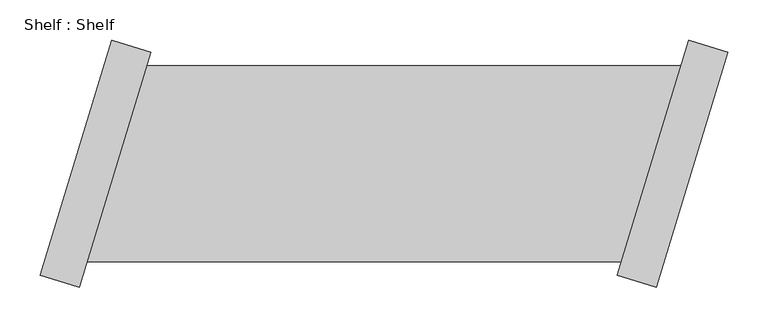
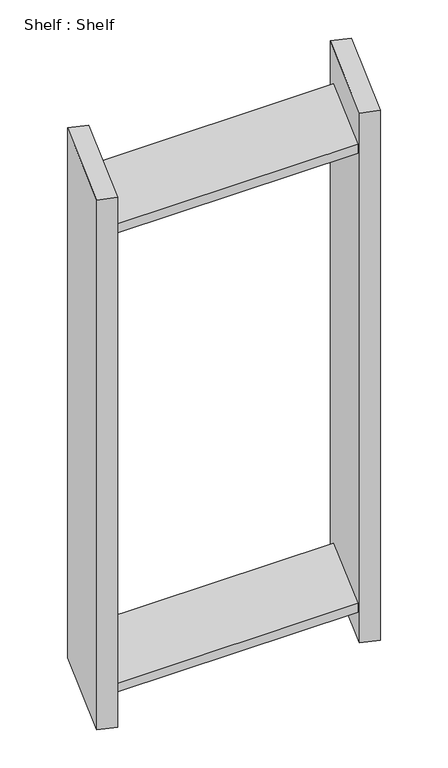
"""IFC4 building model written with IfcOpenShell, lengths in millimetres: proxy geometry, Shelf : Shelf."""

from ifc_helpers import new_model, si_unit, origin, place, context, project, spatial, faceted_brep, source, transform, mapped, element, save


def shelf_shelf_e676b532(model_context):
    return source(origin(), model_context, "Body", "Brep", [
        faceted_brep([(-385.4303599, 121.502511, 1422.4), (-385.4303599, 121.502511, 1397.0), (-1048.4286667, 121.502511, 1397.0), (-1048.4286667, 121.502511, 1422.4), (-459.353017, -121.502511, 1397.0), (-1122.3513238, -121.502511, 1397.0), (-459.353017, -121.502511, 1422.4), (-1122.3513238, -121.502511, 1422.4), (-327.1883464, 138.4107475, 0.0), (-415.895535, -153.195279, 0.0), (-464.4965394, -138.4107475, 0.0), (-375.7893508, 153.195279, 0.0), (-415.895535, -153.195279, 1524.0), (-464.4965394, -138.4107475, 1524.0), (-327.1883464, 138.4107475, 1524.0), (-375.7893508, 153.195279, 1524.0), (-459.353017, -121.502511, 76.2), (-385.4303599, 121.502511, 76.2), (-385.4303599, 121.502511, 101.6), (-459.353017, -121.502511, 101.6), (-1122.3513238, -121.502511, 76.2), (-1048.4286667, 121.502511, 76.2), (-1122.3513238, -121.502511, 101.6), (-1048.4286667, 121.502511, 101.6), (-1180.5933373, -138.4107475, 0.0), (-1091.8861488, 153.195279, 0.0), (-1043.2851444, 138.4107475, 0.0), (-1131.9923329, -153.195279, 0.0), (-1131.9923329, -153.195279, 1524.0), (-1180.5933373, -138.4107475, 1524.0), (-1043.2851444, 138.4107475, 1524.0), (-1091.8861488, 153.195279, 1524.0)], [[[0, 1, 2, 3]], [[1, 4, 5, 2]], [[4, 6, 7, 5]], [[6, 0, 3, 7]], [[8, 9, 10, 11]], [[10, 9, 12, 13]], [[13, 12, 14, 15]], [[8, 11, 15, 14]], [[11, 10, 13, 15], [1, 0, 6, 4], [16, 17, 18, 19]], [[9, 8, 14, 12]], [[17, 16, 20, 21]], [[16, 19, 22, 20]], [[19, 18, 23, 22]], [[18, 17, 21, 23]], [[24, 25, 26, 27]], [[24, 27, 28, 29]], [[29, 28, 30, 31]], [[26, 25, 31, 30]], [[27, 26, 30, 28], [3, 2, 5, 7], [21, 20, 22, 23]], [[25, 24, 29, 31]]]),
    ])


if __name__ == "__main__":
    model = new_model("IFC4")
    model_context = context("Model", 3, world=origin())
    ifc_project = project(units=[si_unit("LENGTHUNIT", "METRE", prefix="MILLI")], contexts=[model_context])
    site = spatial("IfcSite", under=ifc_project)
    building = spatial("IfcBuilding", under=site)
    placement = place(None, origin())
    shelf_shelf_shape = shelf_shelf_e676b532(model_context)
    element("IfcBuildingElementProxy", 1, Name="Shelf : Shelf", ObjectType="Shelf : Shelf", at=placement, inside=building, context=model_context, shape_type="MappedRepresentation", body=[
        mapped(shelf_shelf_shape, transform((0.0, 0.0, 0.0), x_axis=(1.0, 0.0, 0.0), y_axis=(0.0, 1.0, 0.0), z_axis=(0.0, 0.0, 1.0))),
    ])
    save(model, "model.ifc")
